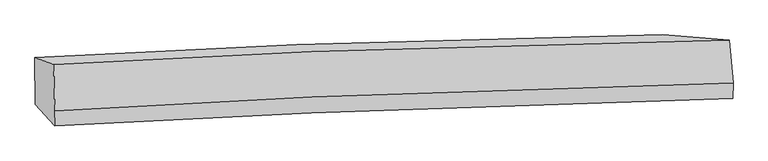
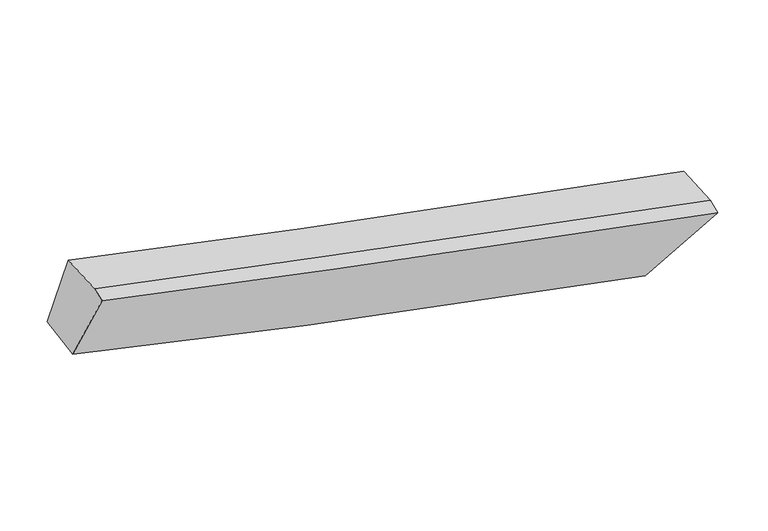
"""IFC4 building model written with IfcOpenShell, lengths in millimetres: proxy geometry."""

from ifc_helpers import new_model, si_unit, frame, origin, place, context, project, spatial, source, transform, mapped, element, save
from ifc_brep_helpers import plane_surface, spline_curve, spline_surface, advanced_brep


def generic_models_cfc49ca6(model_context):
    return source(origin(), model_context, "Body", "AdvancedBrep", [
        advanced_brep(
        [(-2617.2607204, -1840.0703286, 3447.0060687), (-2438.3363023, -1906.4311736, 4098.6335863), (4054.1435452, -1672.9565997, 2656.3992996), (3415.5779747, -1620.1385771, 2024.3832644), (-2425.0311311, -2353.6605957, 4054.0535654), (4089.5053737, -2083.1788345, 2576.2883672), (-2428.8400334, -2496.3196153, 4009.8765057), (4085.5601444, -2230.943858, 2530.5301369), (-2613.4035845, -2292.0878575, 3366.2728352), (3448.7024957, -2031.5852955, 1941.6596088)],
        [
            (0, 1),
            (1, 2, spline_curve(3, [(-2438.3363023, -1906.4311736, 4098.6335863), (-1633.169900186, -1856.962160294, 3892.125663871), (-808.683442139, -1814.89479259, 3692.23806852), (1329.345848726, -1727.059100684, 3202.539217544), (2669.019339695, -1691.301610339, 2921.682050696), (4054.1435452, -1672.9565997, 2656.3992996)], [4, 2, 4], [0.0, 8.324879825538378, 21.09350498211394])),
            (2, 3),
            (3, 0, spline_curve(3, [(3415.5779747, -1620.1385771, 2024.3832644), (2311.421424099, -1633.639444603, 2269.631839604), (1138.778258939, -1665.830954222, 2540.186796613), (-911.5424987, -1749.88721667, 3028.943617985), (-1749.845564958, -1791.006291005, 3232.596261915), (-2617.2607204, -1840.0703286, 3447.0060687)], [4, 2, 4], [0.0, 12.768625156575563, 21.09350498211394])),
            (1, 4),
            (4, 5, spline_curve(3, [(-2425.0311311, -2353.6605957, 4054.0535654), (-1624.814918689, -2302.255755743, 3852.97679288), (-802.179792687, -2257.09514121, 3654.53208405), (1339.010467348, -2158.489147769, 3158.383780353), (2687.887509581, -2113.489175143, 2864.240089733), (4089.5053737, -2083.1788345, 2576.2883672)], [4, 2, 4], [0.0, 8.637958152881986, 21.886780007821255])),
            (5, 2),
            (4, 6),
            (6, 7, spline_curve(3, [(-2428.8400334, -2496.3196153, 4009.8765057), (-1628.752525283, -2449.735276453, 3807.306973918), (-806.202386311, -2407.757782639, 3607.876551694), (1334.88330322, -2313.068371622, 3110.515404009), (2683.799890559, -2266.587279598, 2816.830369954), (4085.5601444, -2230.943858, 2530.5301369)], [4, 2, 4], [0.0, 8.657527823118562, 21.936365460738813])),
            (7, 5),
            (6, 8),
            (8, 9, spline_curve(3, [(-2613.4035845, -2292.0878575, 3366.2728352), (-1754.761250508, -2237.648988956, 3133.290480002), (-920.24910386, -2191.169895385, 2918.291889201), (1133.089353572, -2093.569996146, 2419.09750981), (2319.279233594, -2053.214902358, 2159.225025016), (3448.7024957, -2031.5852955, 1941.6596088)], [4, 2, 4], [0.0, 8.364920577617145, 21.194959876498128])),
            (9, 7),
            (8, 0),
            (3, 9),
        ],
        [
            spline_surface(3, 3, [[(-2617.2607204, -1840.0703286, 3447.0060687), (-1749.845564995, -1791.006291094, 3232.596261978), (-911.542498667, -1749.887216678, 3028.943617868), (1138.77825889, -1665.83095421, 2540.186796792), (2311.421424257, -1633.63944479, 2269.63183948), (3415.5779747, -1620.1385771, 2024.3832644)], [(-2557.619247712, -1862.190610255, 3664.215241244), (-1710.953676766, -1812.991580811, 3452.439395983), (-877.256146514, -1771.556408657, 3250.041768125), (1202.30078886, -1686.240336378, 2760.970936986), (2430.620729457, -1652.860166646, 2486.981909815), (3628.433164854, -1637.744584605, 2235.055276125)], [(-2497.977774988, -1884.310891945, 3881.424413756), (-1672.061788502, -1834.976870562, 3672.282529956), (-842.969794349, -1793.225600609, 3471.139918377), (1265.823318842, -1706.649718519, 2981.755077175), (2549.820034697, -1672.080888587, 2704.331980175), (3841.288355046, -1655.350592195, 2445.727287875)], [(-2438.3363023, -1906.4311736, 4098.6335863), (-1633.169900273, -1856.962160278, 3892.125663961), (-808.683442195, -1814.894792588, 3692.238068634), (1329.345848812, -1727.059100688, 3202.539217369), (2669.019339898, -1691.301610443, 2921.682050511), (4054.1435452, -1672.9565997, 2656.3992996)]], [4, 4], [4, 2, 4], [0.0, 2.2554077529852448], [0.0, 8.324879825538378, 21.09350498211394]),
            spline_surface(3, 3, [[(-2438.3363023, -1906.4311736, 4098.6335863), (-1633.169900273, -1856.962160278, 3892.125663961), (-808.683442195, -1814.894792588, 3692.238068634), (1329.345848812, -1727.059100688, 3202.539217369), (2669.019339898, -1691.301610443, 2921.682050511), (4054.1435452, -1672.9565997, 2656.3992996)], [(-2433.901245239, -2055.507647636, 4083.773579328), (-1630.384906412, -2005.393358737, 3879.076040283), (-806.515559007, -1962.29490876, 3679.669407133), (1332.567388313, -1870.86911638, 3187.820738303), (2675.30872977, -1832.030798729, 2902.534730216), (4065.930821354, -1809.697344662, 2629.695655473)], [(-2429.466188161, -2204.584121664, 4068.913572372), (-1627.599912533, -2153.824557188, 3866.026416622), (-804.34767584, -2109.695024999, 3667.100745655), (1335.788927794, -2014.679132137, 3173.10225926), (2681.598119679, -1972.75998693, 2883.387409902), (4077.718097546, -1946.438089538, 2602.992011327)], [(-2425.0311311, -2353.6605957, 4054.0535654), (-1624.814918671, -2302.255755646, 3852.976792943), (-802.179792652, -2257.095141171, 3654.532084154), (1339.010467295, -2158.489147829, 3158.383780194), (2687.887509552, -2113.489175217, 2864.240089607), (4089.5053737, -2083.1788345, 2576.2883672)]], [4, 4], [4, 2, 4], [0.0, 1.4322109019110116], [0.0, 8.637958152881986, 21.886780007821255]),
            spline_surface(3, 3, [[(-2425.0311311, -2353.6605957, 4054.0535654), (-1624.814918671, -2302.255755646, 3852.976792943), (-802.179792652, -2257.095141171, 3654.532084154), (1339.010467295, -2158.489147829, 3158.383780194), (2687.887509552, -2113.489175217, 2864.240089607), (4089.5053737, -2083.1788345, 2576.2883672)], [(-2426.300765205, -2401.21360222, 4039.327878823), (-1626.127454184, -2351.415595903, 3837.753519952), (-803.520657244, -2307.316021657, 3638.980240017), (1337.634745976, -2210.015555778, 3142.427654821), (2686.524969872, -2164.521876705, 2848.436849764), (4088.190297276, -2132.433842322, 2561.035623775)], [(-2427.570399295, -2448.76660878, 4024.602192277), (-1627.439989681, -2400.575436202, 3822.530246991), (-804.861521812, -2357.536902127, 3623.428395824), (1336.25902468, -2261.541963712, 3126.471529392), (2685.162430165, -2215.554578227, 2832.633609895), (4086.875220824, -2181.688850178, 2545.782880325)], [(-2428.8400334, -2496.3196153, 4009.8765057), (-1628.752525194, -2449.735276459, 3807.306974001), (-806.202386403, -2407.757782613, 3607.876551688), (1334.883303361, -2313.068371662, 3110.515404019), (2683.799890485, -2266.587279716, 2816.830370052), (4085.5601444, -2230.943858, 2530.5301369)]], [4, 4], [4, 2, 4], [0.0, 0.5259868449543699], [0.0, 8.657527823118562, 21.936365460738813]),
            spline_surface(3, 3, [[(-2428.8400334, -2496.3196153, 4009.8765057), (-1628.752525194, -2449.735276459, 3807.306974001), (-806.202386403, -2407.757782613, 3607.876551688), (1334.883303361, -2313.068371662, 3110.515404019), (2683.799890485, -2266.587279716, 2816.830370052), (4085.5601444, -2230.943858, 2530.5301369)], [(-2490.361217098, -2428.242362696, 3795.341948859), (-1670.755433654, -2379.039847287, 3582.634809345), (-844.217958912, -2335.561820232, 3378.014997542), (1267.618653441, -2239.902246454, 2880.042772559), (2562.293004877, -2195.463153864, 2597.628588354), (3873.274261494, -2164.491003838, 2334.239960875)], [(-2551.882400802, -2360.165110104, 3580.807392041), (-1712.758342121, -2308.344418127, 3357.962644712), (-882.233531389, -2263.365857842, 3148.153443434), (1200.354003552, -2166.736121236, 2649.570141136), (2440.786119286, -2124.339027998, 2378.42680663), (3660.988378606, -2098.038149662, 2137.949784825)], [(-2613.4035845, -2292.0878575, 3366.2728352), (-1754.761250581, -2237.648988955, 3133.290480057), (-920.249103898, -2191.169895461, 2918.291889288), (1133.089353631, -2093.569996029, 2419.097509675), (2319.279233679, -2053.214902147, 2159.225024932), (3448.7024957, -2031.5852955, 1941.6596088)]], [4, 4], [4, 2, 4], [0.0, 2.4445692283984153], [0.0, 8.364920577617145, 21.194959876498128]),
            spline_surface(3, 3, [[(-2613.4035845, -2292.0878575, 3366.2728352), (-1754.761250581, -2237.648988955, 3133.290480057), (-920.249103898, -2191.169895461, 2918.291889288), (1133.089353631, -2093.569996029, 2419.097509675), (2319.279233679, -2053.214902147, 2159.225024932), (3448.7024957, -2031.5852955, 1941.6596088)], [(-2614.689296446, -2141.415347893, 3393.183913046), (-1753.122688699, -2088.768089695, 3166.392407377), (-917.34690214, -2044.075669204, 2955.175798815), (1134.985655399, -1950.990315427, 2459.460605381), (2316.659963893, -1913.356416368, 2196.027296433), (3437.660988722, -1894.436389373, 1969.234160651)], [(-2615.975008454, -1990.742838207, 3420.094990854), (-1751.484126877, -1939.887190355, 3199.494334659), (-914.444700426, -1896.981442935, 2992.059708341), (1136.881957122, -1808.410634812, 2499.823701086), (2314.040694042, -1773.497930569, 2232.829567979), (3426.619481678, -1757.287483227, 1996.808712549)], [(-2617.2607204, -1840.0703286, 3447.0060687), (-1749.845564995, -1791.006291094, 3232.596261978), (-911.542498667, -1749.887216678, 3028.943617868), (1138.77825889, -1665.83095421, 2540.186796792), (2311.421424257, -1633.63944479, 2269.63183948), (3415.5779747, -1620.1385771, 2024.3832644)]], [4, 4], [4, 2, 4], [0.0, 1.4670137494698288], [0.0, 8.05175091688053, 20.40145343106815]),
            plane_surface(frame((3818.6979067, -1927.760633, 2345.8521354), z_axis=(0.6980751819334078, 0.1947346058563925, -0.689035175916727), x_axis=(-0.7155703918165941, 0.22399838481558781, -0.6616522787351781))),
            plane_surface(frame((-2504.5743544, -2177.7139141, 3795.1685123), z_axis=(-0.9642780621846163, -0.05452657522562015, 0.25921934994063633), x_axis=(0.008399926295321518, -0.9843868831472625, -0.175817819136318))),
        ],
        [
            (0, [[1, 2, 3, 4]]),
            (1, [[5, 6, 7, -2]]),
            (2, [[8, 9, 10, -6]]),
            (3, [[11, 12, 13, -9]]),
            (4, [[14, -4, 15, -12]]),
            (5, [[-13, -15, -3, -7, -10]]),
            (6, [[-14, -11, -8, -5, -1]]),
        ],
    ),
    ])


if __name__ == "__main__":
    model = new_model("IFC4")
    model_context = context("Model", 3, world=origin())
    ifc_project = project(units=[si_unit("LENGTHUNIT", "METRE", prefix="MILLI")], contexts=[model_context])
    site = spatial("IfcSite", under=ifc_project)
    building = spatial("IfcBuilding", under=site)
    placement = place(None, origin())
    generic_models_shape = generic_models_cfc49ca6(model_context)
    element("IfcBuildingElementProxy", 1, Name="Generic Models", at=placement, inside=building, context=model_context, shape_type="MappedRepresentation", body=[
        mapped(generic_models_shape, transform((0.0, 0.0, 0.0), x_axis=(1.0, 0.0, 0.0), y_axis=(0.0, 1.0, 0.0), z_axis=(0.0, 0.0, 1.0))),
    ])
    save(model, "model.ifc")
